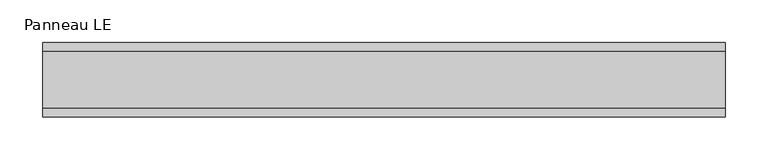
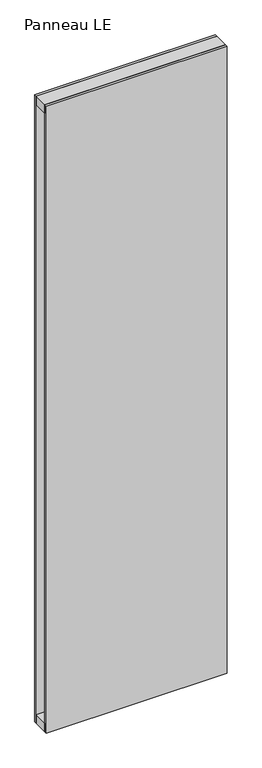
"""IFC4 building model written with IfcOpenShell, lengths in millimetres: plate geometry, Panneau LE."""

from ifc_helpers import new_model, si_unit, frame, origin, origin_with_axes, place, context, project, spatial, polyline, outline, extrude, source, transform, mapped, element, save


def panneau_le_3dbd59a9(model_context):
    return source(origin(), model_context, "Body", "SweptSolid", [
        extrude(outline(polyline([(400.3847577, -33.0), (-400.3847577, -33.0), (-400.3847577, 33.0), (400.3847577, 33.0), (400.3847577, -33.0)])), frame((0.0, 0.0, 2893.0), z_axis=(0.0, 0.0, 1.0), x_axis=(1.0, 0.0, 0.0)), (0.0, 0.0, 1.0), 40.0),
        extrude(outline(polyline([(400.3847577, -33.0), (-400.3847577, -33.0), (-400.3847577, 33.0), (400.3847577, 33.0), (400.3847577, -33.0)])), origin_with_axes(), (0.0, 0.0, 1.0), 40.0),
        extrude(outline(polyline([(400.3847577, 33.0), (-400.3847577, 33.0), (-400.3847577, 43.8), (400.3847577, 43.8), (400.3847577, 33.0)])), origin_with_axes(), (0.0, 0.0, 1.0), 2933.0),
        extrude(outline(polyline([(-400.3847577, -43.8), (-400.3847577, -33.0), (400.3847577, -33.0), (400.3847577, -43.8), (-400.3847577, -43.8)])), origin_with_axes(), (0.0, 0.0, 1.0), 2933.0),
    ])


if __name__ == "__main__":
    model = new_model("IFC4")
    model_context = context("Model", 3, world=origin())
    ifc_project = project(units=[si_unit("LENGTHUNIT", "METRE", prefix="MILLI")], contexts=[model_context])
    site = spatial("IfcSite", under=ifc_project)
    building = spatial("IfcBuilding", under=site)
    placement = place(None, origin())
    panneau_le_shape = panneau_le_3dbd59a9(model_context)
    element("IfcPlate", 1, ObjectType="Panneau LE", at=placement, inside=building, context=model_context, shape_type="MappedRepresentation", body=[
        mapped(panneau_le_shape, transform((0.0, 0.0, 0.0), x_axis=(1.0, 0.0, 0.0), y_axis=(0.0, 1.0, 0.0), z_axis=(0.0, 0.0, 1.0))),
    ])
    save(model, "model.ifc")
